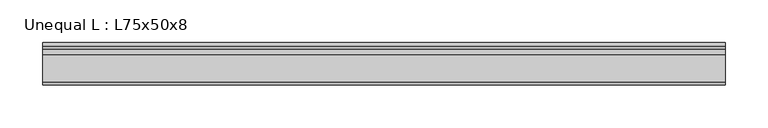
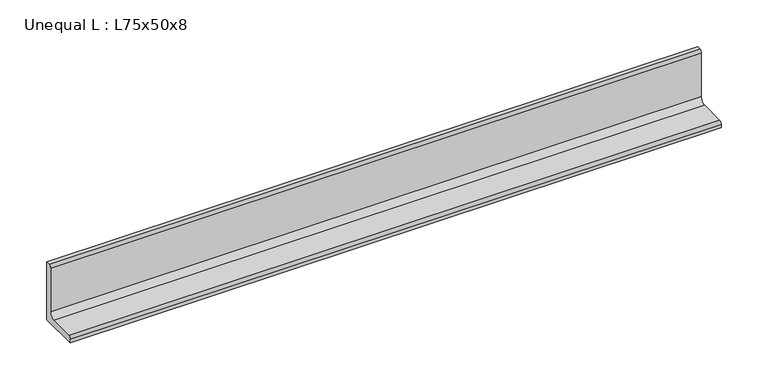
"""IFC4 building model written with IfcOpenShell, lengths in millimetres: beam geometry, Unequal L : L75x50x8."""

from ifc_helpers import new_model, si_unit, point, frame, frame_2d, origin, place, context, project, spatial, polyline, circle_curve, trimmed, segment, composite_curve, outline, extrude, source, transform, mapped, element, save


def unequal_l_l75x50x8_3e642726(model_context):
    return source(origin(), model_context, "Body", "SweptSolid", [
        extrude(outline(composite_curve([segment(polyline([(12.9, -25.2), (-37.1, -25.2), (-37.1, -20.7)]), True, "CONTINUOUS"), segment(trimmed(circle_curve(frame_2d((-33.6, -20.7)), 3.5), [point((-37.1, -20.7))], [point((-33.6, -17.2))], False, "CARTESIAN"), True, "CONTINUOUS"), segment(polyline([(-33.6, -17.2), (-2.1, -17.2)]), True, "CONTINUOUS"), segment(trimmed(circle_curve(frame_2d((-2.1, -10.2)), 7.0), [point((-2.1, -17.2))], [point((4.9, -10.2))], True, "CARTESIAN"), True, "CONTINUOUS"), segment(polyline([(4.9, -10.2), (4.9, 46.3)]), True, "CONTINUOUS"), segment(trimmed(circle_curve(frame_2d((8.4, 46.3)), 3.5), [point((4.9, 46.3))], [point((8.4, 49.8))], False, "CARTESIAN"), True, "CONTINUOUS"), segment(polyline([(8.4, 49.8), (12.9, 49.8), (12.9, -25.2)]), True, "CONTINUOUS")], self_intersect=False)), frame((-400.0, 0.0, 0.0), z_axis=(1.0, 0.0, 0.0), x_axis=(0.0, 1.0, 0.0)), (0.0, 0.0, 1.0), 800.0),
    ])


if __name__ == "__main__":
    model = new_model("IFC4")
    model_context = context("Model", 3, world=origin())
    ifc_project = project(units=[si_unit("LENGTHUNIT", "METRE", prefix="MILLI")], contexts=[model_context])
    site = spatial("IfcSite", under=ifc_project)
    building = spatial("IfcBuilding", under=site)
    placement = place(None, origin())
    unequal_l_l75x50x8_shape = unequal_l_l75x50x8_3e642726(model_context)
    element("IfcBeam", 1, ObjectType="Unequal L : L75x50x8", at=placement, inside=building, context=model_context, shape_type="MappedRepresentation", body=[
        mapped(unequal_l_l75x50x8_shape, transform((0.0, 0.0, 0.0), x_axis=(1.0, 0.0, 0.0), y_axis=(0.0, 1.0, 0.0), z_axis=(0.0, 0.0, 1.0))),
    ])
    save(model, "model.ifc")
